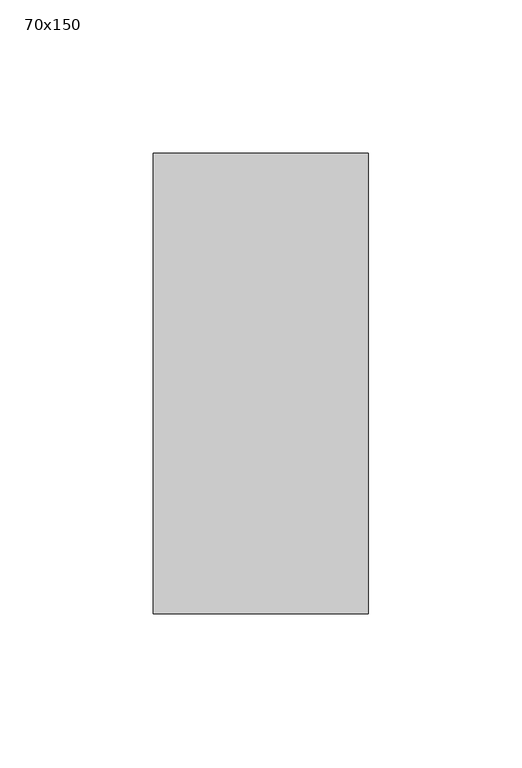
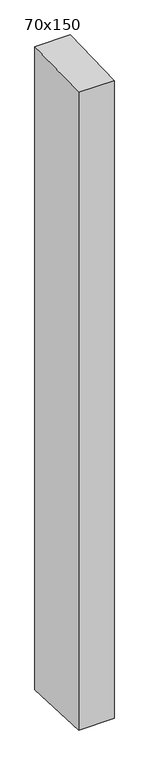
"""IFC4 building model written with IfcOpenShell, lengths in millimetres: member geometry, 70x150."""

from ifc_helpers import new_model, si_unit, frame, origin, place, context, project, spatial, polyline, outline, extrude, source, transform, mapped, element, save


def member_70x150_ab41677a(model_context):
    return source(origin(), model_context, "Body", "SweptSolid", [
        extrude(outline(polyline([(-75.0, -2.4033273), (75.0, 2.4033273), (75.0, -1342.5010747), (-75.0, -1336.3783395), (-75.0, -2.4033273)])), frame((-70.0, 0.0, 0.0), z_axis=(1.0, 0.0, 0.0), x_axis=(0.0, 1.0, 0.0)), (0.0, 0.0, 1.0), 70.0),
    ])


if __name__ == "__main__":
    model = new_model("IFC4")
    model_context = context("Model", 3, world=origin())
    ifc_project = project(units=[si_unit("LENGTHUNIT", "METRE", prefix="MILLI")], contexts=[model_context])
    site = spatial("IfcSite", under=ifc_project)
    building = spatial("IfcBuilding", under=site)
    placement = place(None, origin())
    member_70x150_shape = member_70x150_ab41677a(model_context)
    element("IfcMember", 1, ObjectType="70x150", at=placement, inside=building, context=model_context, shape_type="MappedRepresentation", body=[
        mapped(member_70x150_shape, transform((0.0, 0.0, 0.0), x_axis=(1.0, 0.0, 0.0), y_axis=(0.0, 1.0, 0.0), z_axis=(0.0, 0.0, 1.0))),
    ])
    save(model, "model.ifc")
